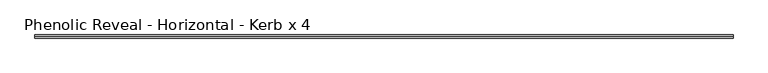
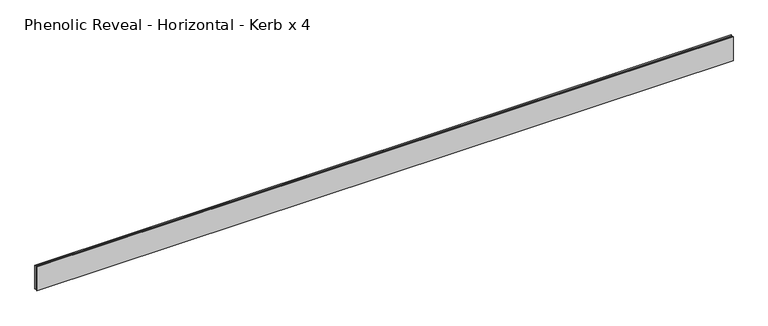
"""IFC4 building model written with IfcOpenShell, lengths in millimetres: proxy geometry, Phenolic Reveal - Horizontal - Kerb x 4."""

from ifc_helpers import new_model, si_unit, origin, place, context, project, spatial, faceted_brep, source, transform, mapped, element, save


def phenolic_reveal_horizontal_kerb_x_4_a0ebdde7(model_context):
    return source(origin(), model_context, "Body", "Brep", [
        faceted_brep([(2109.7875, 9.525, 76.2), (2109.7875, 6.0765851, 76.2), (2109.7875, 6.0765851, 0.0), (2109.7875, 9.525, 0.0), (2109.7875, 3.3757545, 0.0), (2109.7875, 3.3757545, 76.2), (2109.7875, 0.0, 76.2), (2109.7875, 0.0, 0.0), (0.0, 9.525, 76.2), (0.0, 9.525, 0.0), (0.0, 6.0765851, 0.0), (0.0, 6.0765851, 76.2), (0.0, 3.3757545, 76.2), (0.0, 3.3757545, 0.0), (0.0, 0.0, 0.0), (0.0, 0.0, 76.2), (2098.675, 6.0765851, 65.3591015), (2098.675, 6.0765851, 10.8408985), (11.1125, 6.0765851, 10.8408985), (11.1125, 6.0765851, 65.3591015), (11.1125, 3.3757545, 65.3591015), (2098.675, 3.3757545, 65.3591015), (11.1125, 3.3757545, 10.8408985), (2098.675, 3.3757545, 10.8408985)], [[[0, 1, 2, 3]], [[4, 5, 6, 7]], [[8, 9, 10, 11]], [[12, 13, 14, 15]], [[11, 1, 0, 8]], [[2, 1, 11, 10], [16, 17, 18, 19]], [[16, 19, 20, 21]], [[5, 4, 13, 12], [20, 22, 23, 21]], [[6, 5, 12, 15]], [[7, 6, 15, 14]], [[13, 4, 7, 14]], [[23, 22, 18, 17]], [[3, 2, 10, 9]], [[0, 3, 9, 8]], [[21, 23, 17, 16]], [[22, 20, 19, 18]]]),
    ])


if __name__ == "__main__":
    model = new_model("IFC4")
    model_context = context("Model", 3, world=origin())
    ifc_project = project(units=[si_unit("LENGTHUNIT", "METRE", prefix="MILLI")], contexts=[model_context])
    site = spatial("IfcSite", under=ifc_project)
    building = spatial("IfcBuilding", under=site)
    placement = place(None, origin())
    phenolic_reveal_horizontal_kerb_x_4_shape = phenolic_reveal_horizontal_kerb_x_4_a0ebdde7(model_context)
    element("IfcBuildingElementProxy", 1, Name="Phenolic Reveal - Horizontal - Kerb x 4", ObjectType="Phenolic Reveal - Horizontal - Kerb x 4", at=placement, inside=building, context=model_context, shape_type="MappedRepresentation", body=[
        mapped(phenolic_reveal_horizontal_kerb_x_4_shape, transform((0.0, 0.0, 0.0), x_axis=(1.0, 0.0, 0.0), y_axis=(0.0, 1.0, 0.0), z_axis=(0.0, 0.0, 1.0))),
    ])
    save(model, "model.ifc")
